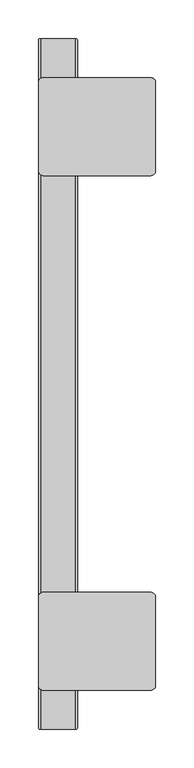
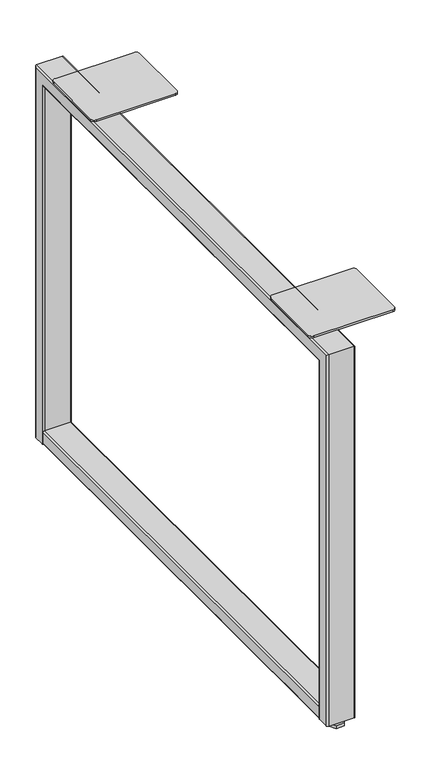
"""IFC4 building model written with IfcOpenShell, lengths in millimetres: furniture geometry."""

from ifc_helpers import new_model, si_unit, point, frame, frame_2d, origin, origin_with_axes, place, context, project, spatial, polyline, circle_curve, ellipse_curve, trimmed, segment, composite_curve, outline, extrude, source, transform, mapped, element, save
from ifc_brep_helpers import plane_surface, cylinder_surface, advanced_brep


def furniture_4e236daa(model_context):
    return source(origin(), model_context, "Body", "SolidModel", [
        extrude(outline(polyline([(34.663662, -867.9386294), (41.9969239, -880.6402117), (34.663662, -893.341794), (19.997138, -893.341794), (12.6638761, -880.6402117), (19.997138, -867.9386294), (34.663662, -867.9386294)])), origin_with_axes(), (0.0, 0.0, 1.0), 5.5879998),
        extrude(outline(polyline([(34.6627494, -3.3273875), (41.9950988, -16.0273893), (34.6627494, -28.727391), (19.9980506, -28.727391), (12.6657012, -16.0273893), (19.9980506, -3.3273875), (34.6627494, -3.3273875)])), origin_with_axes(), (0.0, 0.0, 1.0), 5.5879998),
        extrude(outline(polyline([(29.7125655, -11.9013575), (32.0947311, -16.0273893), (29.7125655, -20.153421), (24.9482345, -20.153421), (22.5660689, -16.0273893), (24.9482345, -11.9013575), (29.7125655, -11.9013575)])), origin_with_axes(), (0.0, 0.0, 1.0), 68.199153),
        extrude(outline(polyline([(29.7116504, -876.5157651), (32.0929008, -880.6402117), (29.7116504, -884.7646584), (24.9491496, -884.7646584), (22.5678992, -880.6402117), (24.9491496, -876.5157651), (29.7116504, -876.5157651)])), origin_with_axes(), (0.0, 0.0, 1.0), 68.199153),
        extrude(outline(composite_curve([segment(polyline([(37.2236999, 49.9618001), (37.2236999, 4.6989992)]), True, "CONTINUOUS"), segment(trimmed(circle_curve(frame_2d((34.4551008, 4.6989992)), 2.7685992), [point((37.2236999, 4.6989992))], [point((34.4551008, 1.9304))], False, "CARTESIAN"), True, "CONTINUOUS"), segment(polyline([(34.4551008, 1.9304), (14.5922995, 1.9304)]), True, "CONTINUOUS"), segment(trimmed(circle_curve(frame_2d((14.5922995, 4.6989992)), 2.7685992), [point((14.5922995, 1.9304))], [point((11.8237003, 4.6989992))], False, "CARTESIAN"), True, "CONTINUOUS"), segment(polyline([(11.8237003, 4.6989992), (11.8237003, 49.961832)]), True, "CONTINUOUS"), segment(trimmed(circle_curve(frame_2d((14.5922684, 49.961832)), 2.768568), [point((11.8237003, 49.961832))], [point((14.5922684, 52.7304))], False, "CARTESIAN"), True, "CONTINUOUS"), segment(polyline([(14.5922684, 52.7304), (34.4551, 52.7304)]), True, "CONTINUOUS"), segment(trimmed(circle_curve(frame_2d((34.4551, 49.9618001)), 2.7685999), [point((34.4551, 52.7304))], [point((37.2236999, 49.9618001))], False, "CARTESIAN"), True, "CONTINUOUS")], self_intersect=False)), frame((0.0, -870.9914, 0.0), z_axis=(0.0, 1.0, 0.0), x_axis=(0.0, 0.0, 1.0)), (0.0, 0.0, 1.0), 845.312),
        advanced_brep(
        [(4.6989901, -896.6454, 11.8237003), (1.9304, -893.8768099, 11.8237003), (1.9304, -874.0140098, 11.8237003), (4.6990105, -871.2453992, 11.8237003), (49.9618046, -871.2453992, 11.8237003), (52.7303992, -874.0139939, 11.8237003), (52.7304083, -893.8768236, 11.8237003), (49.961832, -896.6454, 11.8237003), (4.6989901, -896.6454, 707.7956896), (1.9304, -893.8768099, 705.0270995), (1.9304, -2.7939901, 705.0270995), (1.9304, -2.7939901, 11.8237003), (1.9304, -22.6567902, 11.8237003), (1.9304, -22.6567902, 685.1642994), (1.9304, -874.0140098, 685.1642994), (4.6990105, -871.2453992, 682.3956889), (49.9618046, -871.2453992, 682.3956889), (52.7303992, -874.0139939, 685.1642835), (52.7304083, -22.6567993, 685.1642903), (52.7304083, -22.6567993, 11.8237003), (52.7304083, -2.7939764, 11.8237003), (52.7304083, -2.7939764, 705.0271132), (52.7304083, -893.8768236, 705.0271132), (49.961832, -896.6454, 707.7956896), (4.6989901, -0.0254, 707.7956896), (4.6990105, -25.4254008, 682.3956889), (49.9618046, -25.4254008, 682.3956889), (49.961832, -0.0254, 707.7956896), (4.6989901, -0.0254, 11.8237003), (49.961832, -0.0254, 11.8237003), (49.9618046, -25.4254008, 11.8237003), (4.6990105, -25.4254008, 11.8237003)],
        [
            (0, 1, circle_curve(frame((4.6989901, -893.8768099, 11.8237003), z_axis=(0.0, 0.0, -1.0), x_axis=(1.0, 0.0, 0.0)), 2.7685901)),
            (1, 2),
            (2, 3, circle_curve(frame((4.6990105, -874.0140098, 11.8237003), z_axis=(0.0, 0.0, -1.0), x_axis=(1.0, 0.0, 0.0)), 2.7686105)),
            (3, 4),
            (4, 5, circle_curve(frame((49.9618046, -874.0139939, 11.8237003), z_axis=(0.0, 0.0, -1.0), x_axis=(1.0, 0.0, 0.0)), 2.7685946)),
            (5, 6),
            (6, 7, circle_curve(frame((49.961832, -893.8768236, 11.8237003), z_axis=(0.0, 0.0, -1.0), x_axis=(1.0, 0.0, 0.0)), 2.7685764)),
            (7, 0),
            (0, 8),
            (8, 9, ellipse_curve(frame((4.6989901, -893.8768099, 705.0270995), z_axis=(0.0, -0.7071067811865476, -0.7071067811865475), x_axis=(0.0, 0.7071067811865474, -0.7071067811865476)), 3.9153777, 2.7685901)),
            (9, 1),
            (9, 10),
            (10, 11),
            (11, 12),
            (12, 13),
            (13, 14),
            (14, 2),
            (14, 15, ellipse_curve(frame((4.6990105, -874.0140098, 685.1642994), z_axis=(0.0, -0.7071067811865476, -0.7071067811865475), x_axis=(0.0, 0.7071067811865474, -0.7071067811865476)), 3.9154066, 2.7686105)),
            (15, 3),
            (15, 16),
            (16, 4),
            (16, 17, ellipse_curve(frame((49.9618046, -874.0139939, 685.1642835), z_axis=(0.0, -0.7071067811865476, -0.7071067811865475), x_axis=(0.0, 0.7071067811865474, -0.7071067811865476)), 3.9153841, 2.7685946)),
            (17, 5),
            (17, 18),
            (18, 19),
            (19, 20),
            (20, 21),
            (21, 22),
            (22, 6),
            (22, 23, ellipse_curve(frame((49.961832, -893.8768236, 705.0271132), z_axis=(0.0, -0.7071067811865476, -0.7071067811865475), x_axis=(0.0, 0.7071067811865474, -0.7071067811865476)), 3.9153583, 2.7685764)),
            (23, 7),
            (23, 8),
            (8, 24),
            (24, 10, ellipse_curve(frame((4.6989901, -2.7939901, 705.0270995), z_axis=(0.0, -0.7071067811865649, 0.70710678118653), x_axis=(0.0, -0.7071067811865303, -0.7071067811865648)), 3.9153777, 2.7685901)),
            (13, 25, ellipse_curve(frame((4.6990105, -22.6567902, 685.1642994), z_axis=(0.0, -0.7071067811865649, 0.70710678118653), x_axis=(0.0, -0.7071067811865303, -0.7071067811865648)), 3.9154066, 2.7686105)),
            (25, 15),
            (25, 26),
            (26, 16),
            (26, 18, ellipse_curve(frame((49.9618046, -22.6568061, 685.1642835), z_axis=(0.0, -0.7071067811865649, 0.70710678118653), x_axis=(0.0, -0.7071067811865303, -0.7071067811865648)), 3.9153841, 2.7685946)),
            (21, 27, ellipse_curve(frame((49.961832, -2.7939764, 705.0271132), z_axis=(0.0, -0.7071067811865649, 0.70710678118653), x_axis=(0.0, -0.7071067811865303, -0.7071067811865648)), 3.9153583, 2.7685764)),
            (27, 23),
            (27, 24),
            (28, 29),
            (29, 20, circle_curve(frame((49.961832, -2.7939764, 11.8237003), z_axis=(0.0, 0.0, -1.0), x_axis=(1.0, 0.0, 0.0)), 2.7685764)),
            (19, 30, circle_curve(frame((49.9618046, -22.6568061, 11.8237003), z_axis=(0.0, 0.0, -1.0), x_axis=(1.0, 0.0, 0.0)), 2.7685946)),
            (30, 31),
            (31, 12, circle_curve(frame((4.6990105, -22.6567902, 11.8237003), z_axis=(0.0, 0.0, -1.0), x_axis=(1.0, 0.0, 0.0)), 2.7686105)),
            (11, 28, circle_curve(frame((4.6989901, -2.7939901, 11.8237003), z_axis=(0.0, 0.0, -1.0), x_axis=(1.0, 0.0, 0.0)), 2.7685901)),
            (24, 28),
            (31, 25),
            (30, 26),
            (29, 27),
        ],
        [
            plane_surface(frame((1.9304, -896.6454, 11.8237003), z_axis=(0.0, 0.0, -1.0), x_axis=(1.0, 0.0, 0.0))),
            cylinder_surface(frame((4.6989901, -893.8768099, 11.8237003), z_axis=(0.0, 0.0, -1.0), x_axis=(1.0, 0.0, 0.0)), 2.7685901),
            plane_surface(frame((1.9304, -893.8768099, 11.8237003), z_axis=(-1.0, 0.0, 0.0), x_axis=(0.0, 0.0, 1.0))),
            cylinder_surface(frame((4.6990105, -874.0140098, 11.8237003), z_axis=(0.0, 0.0, -1.0), x_axis=(1.0, 0.0, 0.0)), 2.7686105),
            plane_surface(frame((4.6990105, -871.2453992, 11.8237003), z_axis=(0.0, 1.0, 0.0), x_axis=(0.0, 0.0, 1.0))),
            cylinder_surface(frame((49.9618046, -874.0139939, 11.8237003), z_axis=(0.0, 0.0, -1.0), x_axis=(1.0, 0.0, 0.0)), 2.7685946),
            plane_surface(frame((52.7304083, -874.0140007, 11.8237003), z_axis=(1.0, 0.0, 0.0), x_axis=(0.0, 0.0, 1.0))),
            cylinder_surface(frame((49.961832, -893.8768236, 11.8237003), z_axis=(0.0, 0.0, -1.0), x_axis=(1.0, 0.0, 0.0)), 2.7685764),
            plane_surface(frame((49.961832, -896.6454, 11.8237003), z_axis=(0.0, -1.0, 0.0), x_axis=(0.0, 0.0, 1.0))),
            cylinder_surface(frame((4.6989901, -896.6454, 705.0270995), z_axis=(0.0, -1.0, 0.0), x_axis=(1.0, 0.0, 0.0)), 2.7685901),
            cylinder_surface(frame((4.6990105, -896.6454, 685.1642994), z_axis=(0.0, -1.0, 0.0), x_axis=(1.0, 0.0, 0.0)), 2.7686105),
            plane_surface(frame((4.6990105, -871.2453992, 682.3956889), z_axis=(0.0, 0.0, -1.0), x_axis=(0.0, 1.0, 0.0))),
            cylinder_surface(frame((49.9618046, -896.6454, 685.1642835), z_axis=(0.0, -1.0, 0.0), x_axis=(1.0, 0.0, 0.0)), 2.7685946),
            cylinder_surface(frame((49.961832, -896.6454, 705.0271132), z_axis=(0.0, -1.0, 0.0), x_axis=(1.0, 0.0, 0.0)), 2.7685764),
            plane_surface(frame((49.961832, -896.6454, 707.7956896), z_axis=(0.0, 0.0, 1.0), x_axis=(0.0, 1.0, 0.0))),
            plane_surface(frame((1.9304, -0.0254, 11.8237003), z_axis=(0.0, 0.0, -1.0), x_axis=(1.0, 0.0, 0.0))),
            cylinder_surface(frame((4.6989901, -2.7939901, 707.7956896), z_axis=(0.0, 0.0, 1.0), x_axis=(1.0, 0.0, 0.0)), 2.7685901),
            cylinder_surface(frame((4.6990105, -22.6567902, 707.7956896), z_axis=(0.0, 0.0, 1.0), x_axis=(1.0, 0.0, 0.0)), 2.7686105),
            plane_surface(frame((4.6990105, -25.4254008, 682.3956889), z_axis=(0.0, -1.0, 0.0), x_axis=(0.0, 0.0, -1.0))),
            cylinder_surface(frame((49.9618046, -22.6568061, 707.7956896), z_axis=(0.0, 0.0, 1.0), x_axis=(1.0, 0.0, 0.0)), 2.7685946),
            cylinder_surface(frame((49.961832, -2.7939764, 707.7956896), z_axis=(0.0, 0.0, 1.0), x_axis=(1.0, 0.0, 0.0)), 2.7685764),
            plane_surface(frame((49.961832, -0.0254, 707.7956896), z_axis=(0.0, 1.0, 0.0), x_axis=(0.0, 0.0, -1.0))),
        ],
        [
            (0, [[1, 2, 3, 4, 5, 6, 7, 8]]),
            (1, [[-1, 9, 10, 11]]),
            (2, [[-2, -11, 12, 13, 14, 15, 16, 17]]),
            (3, [[-3, -17, 18, 19]]),
            (4, [[-4, -19, 20, 21]]),
            (5, [[-5, -21, 22, 23]]),
            (6, [[-6, -23, 24, 25, 26, 27, 28, 29]]),
            (7, [[-7, -29, 30, 31]]),
            (8, [[-8, -31, 32, -9]]),
            (9, [[-10, 33, 34, -12]]),
            (10, [[-18, -16, 35, 36]]),
            (11, [[-20, -36, 37, 38]]),
            (12, [[-22, -38, 39, -24]]),
            (13, [[-30, -28, 40, 41]]),
            (14, [[-32, -41, 42, -33]]),
            (15, [[43, 44, -26, 45, 46, 47, -14, 48]]),
            (16, [[-34, 49, -48, -13]]),
            (17, [[-35, -15, -47, 50]]),
            (18, [[-37, -50, -46, 51]]),
            (19, [[-39, -51, -45, -25]]),
            (20, [[-40, -27, -44, 52]]),
            (21, [[-42, -52, -43, -49]]),
        ],
    ),
        extrude(outline(composite_curve([segment(polyline([(1.9304, -839.5271767), (1.9304, -725.1636735)]), True, "CONTINUOUS"), segment(trimmed(circle_curve(frame_2d((8.2486735, -725.1636735)), 6.3182735), [point((1.9304, -725.1636735))], [point((8.2486735, -718.8454))], False, "CARTESIAN"), True, "CONTINUOUS"), segment(polyline([(8.2486735, -718.8454), (147.9486061, -718.8454)]), True, "CONTINUOUS"), segment(trimmed(circle_curve(frame_2d((147.9486061, -725.1953758)), 6.3499758), [point((147.9486061, -718.8454))], [point((154.2985819, -725.1953758))], False, "CARTESIAN"), True, "CONTINUOUS"), segment(polyline([(154.2985819, -725.1953758), (154.2985819, -839.4954426)]), True, "CONTINUOUS"), segment(trimmed(circle_curve(frame_2d((147.9486245, -839.4954426)), 6.3499574), [point((154.2985819, -839.4954426))], [point((147.9486245, -845.8454))], False, "CARTESIAN"), True, "CONTINUOUS"), segment(polyline([(147.9486245, -845.8454), (8.2486233, -845.8454)]), True, "CONTINUOUS"), segment(trimmed(circle_curve(frame_2d((8.2486233, -839.5271767)), 6.3182233), [point((8.2486233, -845.8454))], [point((1.9304, -839.5271767))], False, "CARTESIAN"), True, "CONTINUOUS")], self_intersect=False)), frame((0.0, 0.0, 707.7956896), z_axis=(0.0, 0.0, 1.0), x_axis=(1.0, 0.0, 0.0)), (0.0, 0.0, 1.0), 3.4036),
        extrude(outline(composite_curve([segment(polyline([(1.9304, -172.110312), (1.9304, -57.1435288)]), True, "CONTINUOUS"), segment(trimmed(circle_curve(frame_2d((8.2485273, -57.1435288)), 6.3181273), [point((1.9304, -57.1435288))], [point((8.2485273, -50.8254015))], False, "CARTESIAN"), True, "CONTINUOUS"), segment(polyline([(8.2485273, -50.8254015), (147.9486297, -50.8254015)]), True, "CONTINUOUS"), segment(trimmed(circle_curve(frame_2d((147.9486297, -57.1753537)), 6.3499522), [point((147.9486297, -50.8254015))], [point((154.2985819, -57.1753537))], False, "CARTESIAN"), True, "CONTINUOUS"), segment(polyline([(154.2985819, -57.1753537), (154.2985819, -171.4754818)]), True, "CONTINUOUS"), segment(trimmed(circle_curve(frame_2d((147.9486697, -171.4754818)), 6.3499122), [point((154.2985819, -171.4754818))], [point((147.9486697, -177.8253939))], False, "CARTESIAN"), True, "CONTINUOUS"), segment(polyline([(147.9486697, -177.8253939), (8.2485781, -177.8253939)]), True, "CONTINUOUS"), segment(trimmed(circle_curve(frame_2d((8.2485781, -171.4753943)), 6.3499996), [point((8.2485781, -177.8253939))], [point((1.9304, -172.110312))], False, "CARTESIAN"), True, "CONTINUOUS")], self_intersect=False)), frame((0.0, 0.0, 707.7956896), z_axis=(0.0, 0.0, 1.0), x_axis=(1.0, 0.0, 0.0)), (0.0, 0.0, 1.0), 3.4036),
    ])


if __name__ == "__main__":
    model = new_model("IFC4")
    model_context = context("Model", 3, world=origin())
    ifc_project = project(units=[si_unit("LENGTHUNIT", "METRE", prefix="MILLI")], contexts=[model_context])
    site = spatial("IfcSite", under=ifc_project)
    building = spatial("IfcBuilding", under=site)
    placement = place(None, origin())
    furniture_shape = furniture_4e236daa(model_context)
    element("IfcFurniture", 1, at=placement, inside=building, context=model_context, shape_type="MappedRepresentation", body=[
        mapped(furniture_shape, transform((0.0, 0.0, 0.0), x_axis=(1.0, 0.0, 0.0), y_axis=(0.0, 1.0, 0.0), z_axis=(0.0, 0.0, 1.0))),
    ])
    save(model, "model.ifc")
